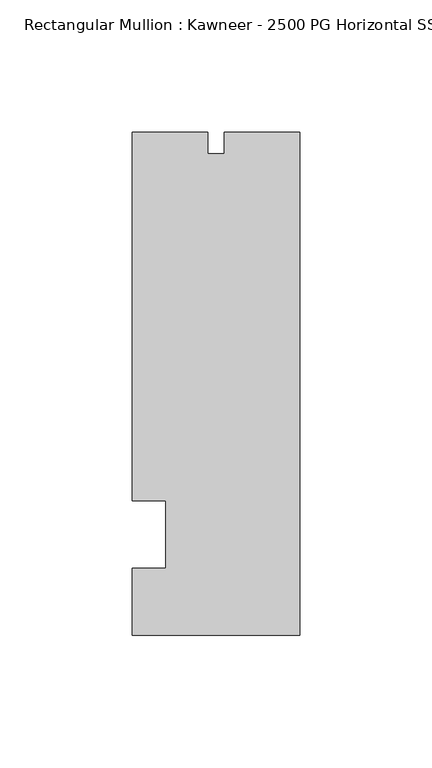
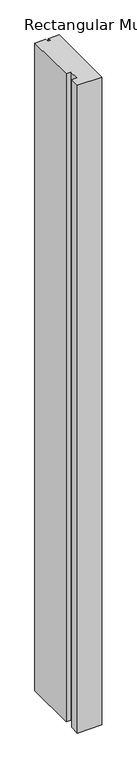
"""IFC4 building model written with IfcOpenShell, lengths in millimetres: member geometry, Rectangular Mullion : Kawneer - 2500 PG Horizontal SSG - Mullion_Jamb R."""

from ifc_helpers import new_model, si_unit, frame, origin, place, context, project, spatial, polyline, outline, extrude, source, transform, mapped, element, save


def rectangular_mullion_kawneer_2500_pg_horizontal_ssg_mullion_9c501958(model_context):
    return source(origin(), model_context, "Body", "SweptSolid", [
        extrude(outline(polyline([(0.0, -95.25), (-63.5, -95.25), (-63.5, -69.85), (-50.8, -69.85), (-50.8, -44.45), (-63.5, -44.45), (-63.5, 95.25), (-34.925, 95.25), (-34.925, 86.9442), (-28.575, 86.9442), (-28.575, 95.25), (0.0, 95.25), (0.0, -95.25)])), frame((0.0, 0.0, -1774.4073029), z_axis=(0.0, 0.0, 1.0), x_axis=(1.0, 0.0, 0.0)), (0.0, 0.0, 1.0), 1774.4073029),
    ])


if __name__ == "__main__":
    model = new_model("IFC4")
    model_context = context("Model", 3, world=origin())
    ifc_project = project(units=[si_unit("LENGTHUNIT", "METRE", prefix="MILLI")], contexts=[model_context])
    site = spatial("IfcSite", under=ifc_project)
    building = spatial("IfcBuilding", under=site)
    placement = place(None, origin())
    rectangular_mullion_kawneer_2500_pg_horizontal_ssg_mullion_shape = rectangular_mullion_kawneer_2500_pg_horizontal_ssg_mullion_9c501958(model_context)
    element("IfcMember", 1, ObjectType="Rectangular Mullion : Kawneer - 2500 PG Horizontal SSG - Mullion_Jamb R", at=placement, inside=building, context=model_context, shape_type="MappedRepresentation", body=[
        mapped(rectangular_mullion_kawneer_2500_pg_horizontal_ssg_mullion_shape, transform((0.0, 0.0, 0.0), x_axis=(1.0, 0.0, 0.0), y_axis=(0.0, 1.0, 0.0), z_axis=(0.0, 0.0, 1.0))),
    ])
    save(model, "model.ifc")
